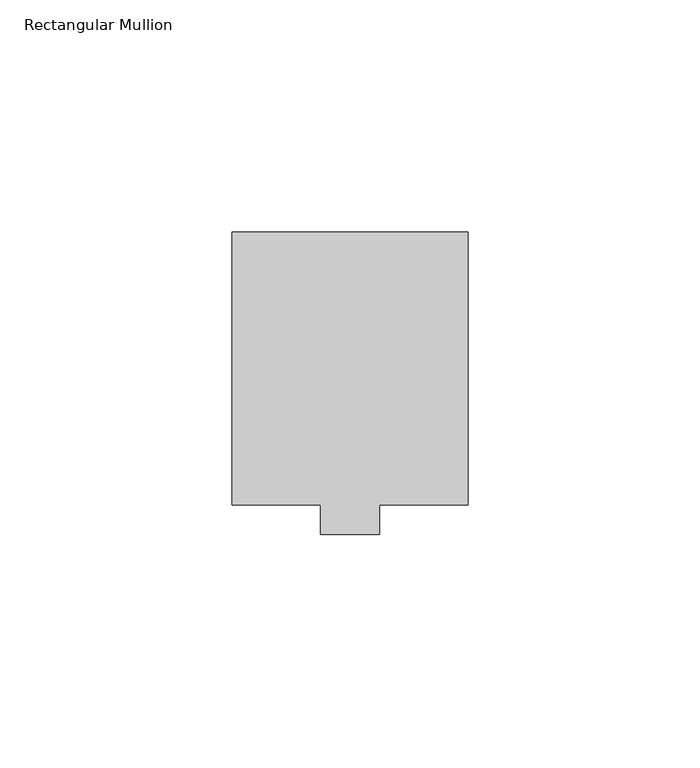
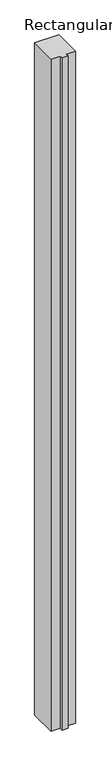
"""IFC4 building model written with IfcOpenShell, lengths in millimetres: member geometry, Rectangular Mullion."""

import ifcopenshell
import ifcopenshell.guid

model = None  # the IFC model being written
_history = None  # IfcOwnerHistory: only IFC2X3 demands one
_inside = {}  # id of a spatial element -> (the spatial element, [elements in it])
_under = {}  # id of a project, library or spatial element -> (it, [spatial elements below it])
_declared = {}  # id of a project -> (the project, [libraries it declares])
_typed = {}  # id of a type object -> (the type object, [elements of that type])
_made_of = {}  # id of a material, layer set ... -> (it, [elements and type objects made of it])


def new_model(schema):
    """Start an empty IFC model of exactly this schema.

    Asked for "IFC4X3", IfcOpenShell would pick the latest addendum, in which some entities
    have other attributes; the version numbers below select the first issue.
    IFC2X3 requires an IfcOwnerHistory on every rooted entity: one is made here for all.
    """
    global model, _history
    if schema == "IFC4X3":
        model = ifcopenshell.file(schema_version=(4, 3, 0, 0))
    else:
        model = ifcopenshell.file(schema=schema)
    _inside.clear()
    _under.clear()
    _declared.clear()
    _typed.clear()
    _made_of.clear()
    _history = None
    if model.schema == "IFC2X3":
        org = make("IfcOrganization", Name="unknown")
        user = make(
            "IfcPersonAndOrganization",
            ThePerson=make("IfcPerson", FamilyName="unknown"),
            TheOrganization=org,
        )
        app = make(
            "IfcApplication",
            ApplicationDeveloper=org,
            Version="unknown",
            ApplicationFullName="unknown",
            ApplicationIdentifier="unknown",
        )
        _history = make(
            "IfcOwnerHistory",
            OwningUser=user,
            OwningApplication=app,
            ChangeAction="ADDED",
            CreationDate=0,
        )
    return model


def make(cls, **values):
    """One entity of the class cls with the attributes given. An attribute that is None is left unset."""
    return model.create_entity(
        cls, **{name: value for name, value in values.items() if value is not None}
    )


def rooted(cls, **values):
    """An entity with a GlobalId (a new one), such as an element, a storey or a relation."""
    return make(cls, GlobalId=ifcopenshell.guid.new(), OwnerHistory=_history, **values)


def si_unit(unit_type, name, prefix=None):
    """IfcSIUnit, for example si_unit("LENGTHUNIT", "METRE", prefix="MILLI")."""
    return make("IfcSIUnit", UnitType=unit_type, Prefix=prefix, Name=name)


def assignment(units):
    """IfcUnitAssignment: the units of a project."""
    return None if units is None else make("IfcUnitAssignment", Units=units)


def point(xyz):
    """IfcCartesianPoint."""
    return None if xyz is None else make("IfcCartesianPoint", Coordinates=xyz)


def direction(xyz):
    """IfcDirection."""
    return None if xyz is None else make("IfcDirection", DirectionRatios=xyz)


def frame(location, z_axis=None, x_axis=None):
    """IfcAxis2Placement3D, a coordinate frame: its origin and axes. An axis left out is left unset."""
    return make(
        "IfcAxis2Placement3D",
        Location=point(location),
        Axis=direction(z_axis),
        RefDirection=direction(x_axis),
    )


def origin():
    """The frame at (0, 0, 0) with its axes left unset."""
    return frame((0.0, 0.0, 0.0))


def place(relative_to, where):
    """IfcLocalPlacement: puts the frame where relative to a parent placement (None: the world)."""
    return make(
        "IfcLocalPlacement", PlacementRelTo=relative_to, RelativePlacement=where
    )


def context(
    kind, dimensions, precision=None, world=None, true_north=None, identifier=None
):
    """IfcGeometricRepresentationContext, for example the 3D "Model" context."""
    return make(
        "IfcGeometricRepresentationContext",
        ContextIdentifier=identifier,
        ContextType=kind,
        CoordinateSpaceDimension=dimensions,
        Precision=precision,
        WorldCoordinateSystem=world,
        TrueNorth=true_north,
    )


def project(units=None, contexts=None):
    """IfcProject with its units and contexts."""
    return rooted(
        "IfcProject",
        Name="project",
        RepresentationContexts=contexts,
        UnitsInContext=assignment(units),
    )


def spatial(cls, under=None, at=None, **own):
    """A site, building, storey or space (cls), placed at a placement, below another one or the project."""
    s = rooted(cls, ObjectPlacement=at, **own)
    if under is not None:
        _under.setdefault(under.id(), (under, []))[1].append(s)
    return s


def polyline(points):
    """IfcPolyline through the points."""
    return make("IfcPolyline", Points=[point(p) for p in points])


def outline(outer, holes=None, kind="AREA"):
    """IfcArbitraryClosedProfileDef: a profile drawn as a closed curve; with holes, ...WithVoids."""
    if holes is None:
        return make("IfcArbitraryClosedProfileDef", ProfileType=kind, OuterCurve=outer)
    return make(
        "IfcArbitraryProfileDefWithVoids",
        ProfileType=kind,
        OuterCurve=outer,
        InnerCurves=holes,
    )


def extrude(swept, where, along, depth):
    """IfcExtrudedAreaSolid: the profile swept, set in the frame where, extruded along a direction by depth."""
    return make(
        "IfcExtrudedAreaSolid",
        SweptArea=swept,
        Position=where,
        ExtrudedDirection=direction(along),
        Depth=depth,
    )


def shape(context_of_items, identifier, shape_type, items):
    """IfcShapeRepresentation: the items that make up one representation, for example the "Body"."""
    return make(
        "IfcShapeRepresentation",
        ContextOfItems=context_of_items,
        RepresentationIdentifier=identifier,
        RepresentationType=shape_type,
        Items=items,
    )


def source(mapping_origin, context_of_items, identifier, shape_type, items):
    """IfcRepresentationMap: a shape defined once, which mapped items show again and again."""
    return make(
        "IfcRepresentationMap",
        MappingOrigin=mapping_origin,
        MappedRepresentation=shape(context_of_items, identifier, shape_type, items),
    )


def transform(
    local_origin,
    x_axis=None,
    y_axis=None,
    z_axis=None,
    scale=None,
    scale2=None,
    scale3=None,
    uniform=True,
):
    """IfcCartesianTransformationOperator3D, or its non-uniform kind. x_axis, y_axis, z_axis: its Axis1, 2, 3."""
    if uniform:
        return make(
            "IfcCartesianTransformationOperator3D",
            Axis1=direction(x_axis),
            Axis2=direction(y_axis),
            LocalOrigin=point(local_origin),
            Scale=scale,
            Axis3=direction(z_axis),
        )
    return make(
        "IfcCartesianTransformationOperator3DnonUniform",
        Axis1=direction(x_axis),
        Axis2=direction(y_axis),
        LocalOrigin=point(local_origin),
        Scale=scale,
        Axis3=direction(z_axis),
        Scale2=scale2,
        Scale3=scale3,
    )


def mapped(mapping_source, mapping_target):
    """IfcMappedItem: shows the shape of a source again, moved by a transform."""
    return make(
        "IfcMappedItem", MappingSource=mapping_source, MappingTarget=mapping_target
    )


def made_of(thing, what):
    """Note that an element or type object is made of a material, layer set ...; save() writes the relation."""
    if what is not None:
        _made_of.setdefault(what.id(), (what, []))[1].append(thing)
    return thing


def element(
    cls,
    number,
    at=None,
    inside=None,
    cuts=None,
    type_object=None,
    material=None,
    context=None,
    identifier="Body",
    shape_type=None,
    held_by="IfcProductDefinitionShape",
    body=None,
    shapes=None,
    **own,
):
    """One element of the class cls, such as IfcWall. Its Tag is "e" and its number.

    at: its placement. inside: the storey or other place that contains it. cuts: it is an
    opening in that element (IfcRelVoidsElement). A single representation is given by context,
    identifier, shape_type and body (its items); several are given by shapes. held_by: the class
    of the entity that holds the representations. save() writes the other relations.
    """
    e = rooted(cls, Tag="e%d" % number, ObjectPlacement=at, **own)
    if body is not None:
        shapes = [shape(context, identifier, shape_type, body)]
    if shapes is not None:
        e.Representation = make(held_by, Representations=shapes)
    if inside is not None:
        _inside.setdefault(inside.id(), (inside, []))[1].append(e)
    if cuts is not None:
        rooted(
            "IfcRelVoidsElement", RelatingBuildingElement=cuts, RelatedOpeningElement=e
        )
    if type_object is not None:
        _typed.setdefault(type_object.id(), (type_object, []))[1].append(e)
    return made_of(e, material)


def aggregate(whole, parts):
    """IfcRelAggregates: a whole, such as a stair, and the parts it consists of."""
    return rooted("IfcRelAggregates", RelatingObject=whole, RelatedObjects=parts)


def save(model, path):
    """Write the relations noted so far, then the file.

    IfcRelAggregates (storeys below a building ...), IfcRelContainedInSpatialStructure (elements
    in a storey), IfcRelDefinesByType, IfcRelAssociatesMaterial and IfcRelDeclares: one each for
    every whole, place, type object, material and project.
    """
    for whole, parts in _under.values():
        aggregate(whole, parts)
    for where, things in _inside.values():
        rooted(
            "IfcRelContainedInSpatialStructure",
            RelatedElements=things,
            RelatingStructure=where,
        )
    for kind, things in _typed.values():
        rooted("IfcRelDefinesByType", RelatedObjects=things, RelatingType=kind)
    for what, things in _made_of.values():
        rooted("IfcRelAssociatesMaterial", RelatedObjects=things, RelatingMaterial=what)
    for by, libraries in _declared.values():
        rooted("IfcRelDeclares", RelatingContext=by, RelatedDefinitions=libraries)
    model.write(path)


def rectangular_mullion_e4fd05ff(model_context):
    return source(origin(), model_context, "Body", "SweptSolid", [
        extrude(outline(polyline([(29.7344027, 61.9125), (29.7344027, 3.175), (10.6826322, 3.175), (10.6826322, -3.175), (-2.0155973, -3.175), (-2.0155973, 3.175), (-21.0655973, 3.175), (-21.0655973, 61.9125), (29.7344027, 61.9125)])), frame((0.0, 0.0, -1478.28), z_axis=(0.0, 0.0, 1.0), x_axis=(1.0, 0.0, 0.0)), (0.0, 0.0, 1.0), 1478.28),
    ])


if __name__ == "__main__":
    model = new_model("IFC4")
    model_context = context("Model", 3, world=origin())
    ifc_project = project(units=[si_unit("LENGTHUNIT", "METRE", prefix="MILLI")], contexts=[model_context])
    site = spatial("IfcSite", under=ifc_project)
    building = spatial("IfcBuilding", under=site)
    placement = place(None, origin())
    rectangular_mullion_shape = rectangular_mullion_e4fd05ff(model_context)
    element("IfcMember", 1, ObjectType="Rectangular Mullion", at=placement, inside=building, context=model_context, shape_type="MappedRepresentation", body=[
        mapped(rectangular_mullion_shape, transform((0.0, 0.0, 0.0), x_axis=(1.0, 0.0, 0.0), y_axis=(0.0, 1.0, 0.0), z_axis=(0.0, 0.0, 1.0))),
    ])
    save(model, "model.ifc")
